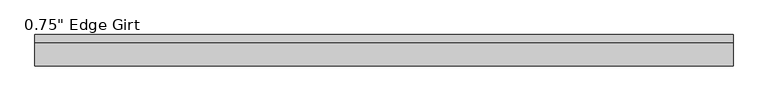
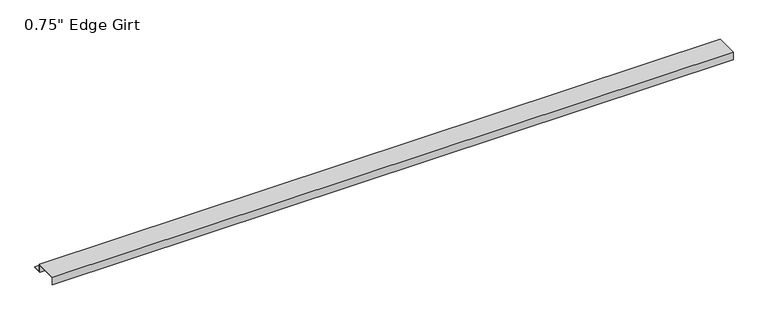
"""IFC4 building model written with IfcOpenShell, lengths in millimetres: proxy geometry."""

import ifcopenshell
import ifcopenshell.guid

model = None  # the IFC model being written
_history = None  # IfcOwnerHistory: only IFC2X3 demands one
_inside = {}  # id of a spatial element -> (the spatial element, [elements in it])
_under = {}  # id of a project, library or spatial element -> (it, [spatial elements below it])
_declared = {}  # id of a project -> (the project, [libraries it declares])
_typed = {}  # id of a type object -> (the type object, [elements of that type])
_made_of = {}  # id of a material, layer set ... -> (it, [elements and type objects made of it])


def new_model(schema):
    """Start an empty IFC model of exactly this schema.

    Asked for "IFC4X3", IfcOpenShell would pick the latest addendum, in which some entities
    have other attributes; the version numbers below select the first issue.
    IFC2X3 requires an IfcOwnerHistory on every rooted entity: one is made here for all.
    """
    global model, _history
    if schema == "IFC4X3":
        model = ifcopenshell.file(schema_version=(4, 3, 0, 0))
    else:
        model = ifcopenshell.file(schema=schema)
    _inside.clear()
    _under.clear()
    _declared.clear()
    _typed.clear()
    _made_of.clear()
    _history = None
    if model.schema == "IFC2X3":
        org = make("IfcOrganization", Name="unknown")
        user = make(
            "IfcPersonAndOrganization",
            ThePerson=make("IfcPerson", FamilyName="unknown"),
            TheOrganization=org,
        )
        app = make(
            "IfcApplication",
            ApplicationDeveloper=org,
            Version="unknown",
            ApplicationFullName="unknown",
            ApplicationIdentifier="unknown",
        )
        _history = make(
            "IfcOwnerHistory",
            OwningUser=user,
            OwningApplication=app,
            ChangeAction="ADDED",
            CreationDate=0,
        )
    return model


def make(cls, **values):
    """One entity of the class cls with the attributes given. An attribute that is None is left unset."""
    return model.create_entity(
        cls, **{name: value for name, value in values.items() if value is not None}
    )


def rooted(cls, **values):
    """An entity with a GlobalId (a new one), such as an element, a storey or a relation."""
    return make(cls, GlobalId=ifcopenshell.guid.new(), OwnerHistory=_history, **values)


def si_unit(unit_type, name, prefix=None):
    """IfcSIUnit, for example si_unit("LENGTHUNIT", "METRE", prefix="MILLI")."""
    return make("IfcSIUnit", UnitType=unit_type, Prefix=prefix, Name=name)


def assignment(units):
    """IfcUnitAssignment: the units of a project."""
    return None if units is None else make("IfcUnitAssignment", Units=units)


def point(xyz):
    """IfcCartesianPoint."""
    return None if xyz is None else make("IfcCartesianPoint", Coordinates=xyz)


def direction(xyz):
    """IfcDirection."""
    return None if xyz is None else make("IfcDirection", DirectionRatios=xyz)


def frame(location, z_axis=None, x_axis=None):
    """IfcAxis2Placement3D, a coordinate frame: its origin and axes. An axis left out is left unset."""
    return make(
        "IfcAxis2Placement3D",
        Location=point(location),
        Axis=direction(z_axis),
        RefDirection=direction(x_axis),
    )


def origin():
    """The frame at (0, 0, 0) with its axes left unset."""
    return frame((0.0, 0.0, 0.0))


def place(relative_to, where):
    """IfcLocalPlacement: puts the frame where relative to a parent placement (None: the world)."""
    return make(
        "IfcLocalPlacement", PlacementRelTo=relative_to, RelativePlacement=where
    )


def context(
    kind, dimensions, precision=None, world=None, true_north=None, identifier=None
):
    """IfcGeometricRepresentationContext, for example the 3D "Model" context."""
    return make(
        "IfcGeometricRepresentationContext",
        ContextIdentifier=identifier,
        ContextType=kind,
        CoordinateSpaceDimension=dimensions,
        Precision=precision,
        WorldCoordinateSystem=world,
        TrueNorth=true_north,
    )


def project(units=None, contexts=None):
    """IfcProject with its units and contexts."""
    return rooted(
        "IfcProject",
        Name="project",
        RepresentationContexts=contexts,
        UnitsInContext=assignment(units),
    )


def spatial(cls, under=None, at=None, **own):
    """A site, building, storey or space (cls), placed at a placement, below another one or the project."""
    s = rooted(cls, ObjectPlacement=at, **own)
    if under is not None:
        _under.setdefault(under.id(), (under, []))[1].append(s)
    return s


def polyline(points):
    """IfcPolyline through the points."""
    return make("IfcPolyline", Points=[point(p) for p in points])


def outline(outer, holes=None, kind="AREA"):
    """IfcArbitraryClosedProfileDef: a profile drawn as a closed curve; with holes, ...WithVoids."""
    if holes is None:
        return make("IfcArbitraryClosedProfileDef", ProfileType=kind, OuterCurve=outer)
    return make(
        "IfcArbitraryProfileDefWithVoids",
        ProfileType=kind,
        OuterCurve=outer,
        InnerCurves=holes,
    )


def extrude(swept, where, along, depth):
    """IfcExtrudedAreaSolid: the profile swept, set in the frame where, extruded along a direction by depth."""
    return make(
        "IfcExtrudedAreaSolid",
        SweptArea=swept,
        Position=where,
        ExtrudedDirection=direction(along),
        Depth=depth,
    )


def shape(context_of_items, identifier, shape_type, items):
    """IfcShapeRepresentation: the items that make up one representation, for example the "Body"."""
    return make(
        "IfcShapeRepresentation",
        ContextOfItems=context_of_items,
        RepresentationIdentifier=identifier,
        RepresentationType=shape_type,
        Items=items,
    )


def source(mapping_origin, context_of_items, identifier, shape_type, items):
    """IfcRepresentationMap: a shape defined once, which mapped items show again and again."""
    return make(
        "IfcRepresentationMap",
        MappingOrigin=mapping_origin,
        MappedRepresentation=shape(context_of_items, identifier, shape_type, items),
    )


def transform(
    local_origin,
    x_axis=None,
    y_axis=None,
    z_axis=None,
    scale=None,
    scale2=None,
    scale3=None,
    uniform=True,
):
    """IfcCartesianTransformationOperator3D, or its non-uniform kind. x_axis, y_axis, z_axis: its Axis1, 2, 3."""
    if uniform:
        return make(
            "IfcCartesianTransformationOperator3D",
            Axis1=direction(x_axis),
            Axis2=direction(y_axis),
            LocalOrigin=point(local_origin),
            Scale=scale,
            Axis3=direction(z_axis),
        )
    return make(
        "IfcCartesianTransformationOperator3DnonUniform",
        Axis1=direction(x_axis),
        Axis2=direction(y_axis),
        LocalOrigin=point(local_origin),
        Scale=scale,
        Axis3=direction(z_axis),
        Scale2=scale2,
        Scale3=scale3,
    )


def mapped(mapping_source, mapping_target):
    """IfcMappedItem: shows the shape of a source again, moved by a transform."""
    return make(
        "IfcMappedItem", MappingSource=mapping_source, MappingTarget=mapping_target
    )


def made_of(thing, what):
    """Note that an element or type object is made of a material, layer set ...; save() writes the relation."""
    if what is not None:
        _made_of.setdefault(what.id(), (what, []))[1].append(thing)
    return thing


def element(
    cls,
    number,
    at=None,
    inside=None,
    cuts=None,
    type_object=None,
    material=None,
    context=None,
    identifier="Body",
    shape_type=None,
    held_by="IfcProductDefinitionShape",
    body=None,
    shapes=None,
    **own,
):
    """One element of the class cls, such as IfcWall. Its Tag is "e" and its number.

    at: its placement. inside: the storey or other place that contains it. cuts: it is an
    opening in that element (IfcRelVoidsElement). A single representation is given by context,
    identifier, shape_type and body (its items); several are given by shapes. held_by: the class
    of the entity that holds the representations. save() writes the other relations.
    """
    e = rooted(cls, Tag="e%d" % number, ObjectPlacement=at, **own)
    if body is not None:
        shapes = [shape(context, identifier, shape_type, body)]
    if shapes is not None:
        e.Representation = make(held_by, Representations=shapes)
    if inside is not None:
        _inside.setdefault(inside.id(), (inside, []))[1].append(e)
    if cuts is not None:
        rooted(
            "IfcRelVoidsElement", RelatingBuildingElement=cuts, RelatedOpeningElement=e
        )
    if type_object is not None:
        _typed.setdefault(type_object.id(), (type_object, []))[1].append(e)
    return made_of(e, material)


def aggregate(whole, parts):
    """IfcRelAggregates: a whole, such as a stair, and the parts it consists of."""
    return rooted("IfcRelAggregates", RelatingObject=whole, RelatedObjects=parts)


def save(model, path):
    """Write the relations noted so far, then the file.

    IfcRelAggregates (storeys below a building ...), IfcRelContainedInSpatialStructure (elements
    in a storey), IfcRelDefinesByType, IfcRelAssociatesMaterial and IfcRelDeclares: one each for
    every whole, place, type object, material and project.
    """
    for whole, parts in _under.values():
        aggregate(whole, parts)
    for where, things in _inside.values():
        rooted(
            "IfcRelContainedInSpatialStructure",
            RelatedElements=things,
            RelatingStructure=where,
        )
    for kind, things in _typed.values():
        rooted("IfcRelDefinesByType", RelatedObjects=things, RelatingType=kind)
    for what, things in _made_of.values():
        rooted("IfcRelAssociatesMaterial", RelatedObjects=things, RelatingMaterial=what)
    for by, libraries in _declared.values():
        rooted("IfcRelDeclares", RelatingContext=by, RelatedDefinitions=libraries)
    model.write(path)


def proxy_a33c6366(model_context):
    return source(origin(), model_context, "Body", "SweptSolid", [
        extrude(outline(polyline([(46.0559645, -17.4375), (25.4, -17.4375), (25.4, 0.0), (-25.4, 0.0), (-25.4, -17.4375), (-27.0129, -17.4375), (-27.0129, 1.6129), (27.0129, 1.6129), (27.0129, -15.8242), (46.0559645, -15.8242), (46.0559645, -17.4375)])), frame((0.0, 0.0, 0.0), z_axis=(1.0, 0.0, 0.0), x_axis=(0.0, 1.0, 0.0)), (0.0, 0.0, 1.0), 1633.5375),
    ])


if __name__ == "__main__":
    model = new_model("IFC4")
    model_context = context("Model", 3, world=origin())
    ifc_project = project(units=[si_unit("LENGTHUNIT", "METRE", prefix="MILLI")], contexts=[model_context])
    site = spatial("IfcSite", under=ifc_project)
    building = spatial("IfcBuilding", under=site)
    placement = place(None, origin())
    proxy_shape = proxy_a33c6366(model_context)
    element("IfcBuildingElementProxy", 1, Name="0.75\" Edge Girt", ObjectType="0.75\" Edge Girt", at=placement, inside=building, context=model_context, shape_type="MappedRepresentation", body=[
        mapped(proxy_shape, transform((0.0, 0.0, 0.0), x_axis=(1.0, 0.0, 0.0), y_axis=(0.0, 1.0, 0.0), z_axis=(0.0, 0.0, 1.0))),
    ])
    save(model, "model.ifc")
